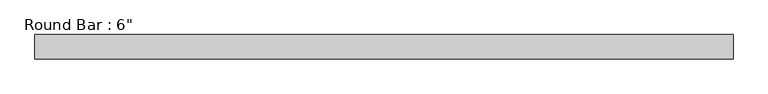
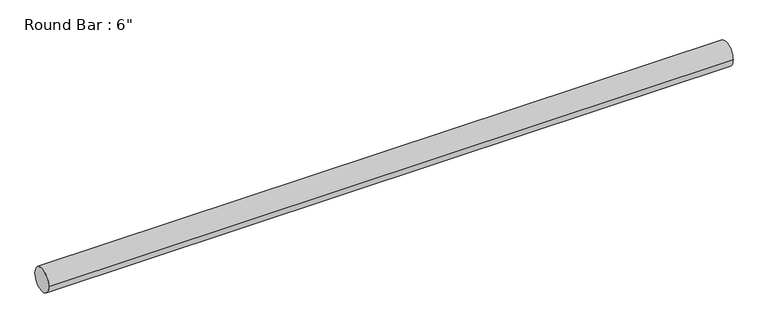
"""IFC4 building model written with IfcOpenShell, lengths in millimetres: beam geometry."""

from ifc_helpers import new_model, si_unit, point, frame, origin, origin_2d, place, context, project, spatial, circle_curve, trimmed, segment, composite_curve, outline, extrude, source, transform, mapped, element, save


def beam_9cc9085e(model_context):
    return source(origin(), model_context, "Body", "SweptSolid", [
        extrude(outline(composite_curve([segment(trimmed(circle_curve(origin_2d(), 76.2), [point((-76.2, 0.0))], [point((76.2, 0.0))], False, "CARTESIAN"), True, "CONTINUOUS"), segment(trimmed(circle_curve(origin_2d(), 76.2), [point((76.2, 0.0))], [point((-76.2, 0.0))], False, "CARTESIAN"), True, "CONTINUOUS")], self_intersect=False)), frame((-2283.9194712, 0.0, 0.0), z_axis=(1.0, 0.0, 0.0), x_axis=(0.0, 1.0, 0.0)), (0.0, 0.0, 1.0), 4364.6389425),
    ])


if __name__ == "__main__":
    model = new_model("IFC4")
    model_context = context("Model", 3, world=origin())
    ifc_project = project(units=[si_unit("LENGTHUNIT", "METRE", prefix="MILLI")], contexts=[model_context])
    site = spatial("IfcSite", under=ifc_project)
    building = spatial("IfcBuilding", under=site)
    placement = place(None, origin())
    beam_shape = beam_9cc9085e(model_context)
    element("IfcBeam", 1, ObjectType="Round Bar : 6\"", at=placement, inside=building, context=model_context, shape_type="MappedRepresentation", body=[
        mapped(beam_shape, transform((0.0, 0.0, 0.0), x_axis=(1.0, 0.0, 0.0), y_axis=(0.0, 1.0, 0.0), z_axis=(0.0, 0.0, 1.0))),
    ])
    save(model, "model.ifc")
